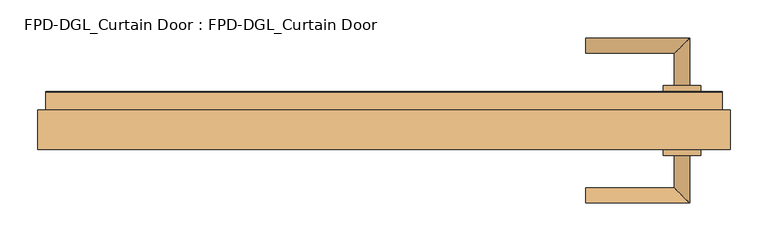
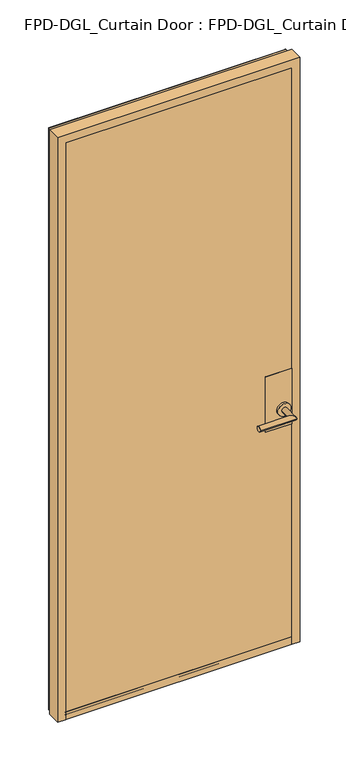
"""IFC4 building model written with IfcOpenShell, lengths in millimetres: door geometry, FPD-DGL_Curtain Door : FPD-DGL_Curtain Door."""

from ifc_helpers import new_model, si_unit, point, frame, frame_2d, origin, place, context, project, spatial, polyline, circle_curve, ellipse_curve, trimmed, segment, composite_curve, outline, extrude, source, transform, mapped, element, save
from ifc_brep_helpers import plane_surface, cylinder_surface, revolved_surface, advanced_brep


def fpd_dgl_curtain_door_fpd_dgl_curtain_door_bb8fd5a7(model_context):
    return source(origin(), model_context, "Body", "SolidModel", [
        advanced_brep(
        [(266.4282894, 89.1684274, 965.2), (266.4282894, 109.240371, 965.2), (383.2779298, 89.1684274, 965.2), (403.3498734, 109.240371, 965.2), (383.2779298, 46.5341787, 965.2), (403.3498734, 46.5341787, 965.2)],
        [
            (0, 1, circle_curve(frame((266.4282894, 99.2043992, 965.2), z_axis=(-1.0, 0.0, 0.0), x_axis=(0.0, 1.0, 0.0)), 10.0359718)),
            (1, 0, circle_curve(frame((266.4282894, 99.2043992, 965.2), z_axis=(-1.0, 0.0, 0.0), x_axis=(0.0, 1.0, 0.0)), 10.0359718)),
            (0, 2),
            (2, 3, ellipse_curve(frame((393.3139016, 99.2043992, 965.2), z_axis=(-0.7071067811865464, 0.7071067811865488, 0.0), x_axis=(-0.7071067811865487, -0.7071067811865464, 0.0)), 14.1930074, 10.0359718)),
            (3, 1),
            (3, 2, ellipse_curve(frame((393.3139016, 99.2043992, 965.2), z_axis=(-0.7071067811865464, 0.7071067811865488, 0.0), x_axis=(-0.7071067811865487, -0.7071067811865464, 0.0)), 14.1930074, 10.0359718)),
            (4, 5, circle_curve(frame((393.3139016, 46.5341787, 965.2), z_axis=(0.0, -1.0, 0.0), x_axis=(1.0, 0.0, 0.0)), 10.0359718)),
            (5, 4, circle_curve(frame((393.3139016, 46.5341787, 965.2), z_axis=(0.0, -1.0, 0.0), x_axis=(1.0, 0.0, 0.0)), 10.0359718)),
            (2, 4),
            (5, 3),
        ],
        [
            plane_surface(frame((266.4282894, 99.2043992, 965.2), z_axis=(-1.0, 0.0, 0.0), x_axis=(0.0, 0.0, 1.0))),
            cylinder_surface(frame((266.4282894, 99.2043992, 965.2), z_axis=(-1.0, 0.0, 0.0), x_axis=(0.0, 1.0, 0.0)), 10.0359718),
            plane_surface(frame((393.3139016, 46.5341787, 965.2), z_axis=(0.0, -1.0, 0.0), x_axis=(0.0, 0.0, 1.0))),
            cylinder_surface(frame((393.3139016, 99.2043992, 965.2), z_axis=(0.0, 1.0, 0.0), x_axis=(1.0, 0.0, 0.0)), 10.0359718),
        ],
        [
            (0, [[1, 2]]),
            (1, [[-1, 3, 4, 5]]),
            (1, [[-2, -5, 6, -3]]),
            (2, [[7, 8]]),
            (3, [[-4, 9, -8, 10]]),
            (3, [[-6, -10, -7, -9]]),
        ],
    ),
        advanced_brep(
        [(383.2779298, -46.3299066, 965.2), (403.3498734, -46.3299066, 965.2), (383.2779298, -88.9641553, 965.2), (403.3498734, -109.0360989, 965.2), (266.4282894, -88.9641553, 965.2), (266.4282894, -109.0360989, 965.2)],
        [
            (0, 1, circle_curve(frame((393.3139016, -46.3299066, 965.2), z_axis=(0.0, 1.0, 0.0), x_axis=(1.0, 0.0, 0.0)), 10.0359718)),
            (1, 0, circle_curve(frame((393.3139016, -46.3299066, 965.2), z_axis=(0.0, 1.0, 0.0), x_axis=(1.0, 0.0, 0.0)), 10.0359718)),
            (0, 2),
            (2, 3, ellipse_curve(frame((393.3139016, -99.0001271, 965.2), z_axis=(0.7071067811865487, 0.7071067811865464, 0.0), x_axis=(-0.7071067811865464, 0.7071067811865487, 0.0)), 14.1930074, 10.0359718)),
            (3, 1),
            (3, 2, ellipse_curve(frame((393.3139016, -99.0001271, 965.2), z_axis=(0.7071067811865487, 0.7071067811865464, 0.0), x_axis=(-0.7071067811865464, 0.7071067811865487, 0.0)), 14.1930074, 10.0359718)),
            (4, 5, circle_curve(frame((266.4282894, -99.0001271, 965.2), z_axis=(-1.0, 0.0, 0.0), x_axis=(0.0, -1.0, 0.0)), 10.0359718)),
            (5, 4, circle_curve(frame((266.4282894, -99.0001271, 965.2), z_axis=(-1.0, 0.0, 0.0), x_axis=(0.0, -1.0, 0.0)), 10.0359718)),
            (2, 4),
            (5, 3),
        ],
        [
            plane_surface(frame((393.3139016, -46.3299066, 965.2), z_axis=(0.0, 1.0, 0.0), x_axis=(0.0, 0.0, 1.0))),
            cylinder_surface(frame((393.3139016, -46.3299066, 965.2), z_axis=(0.0, 1.0, 0.0), x_axis=(1.0, 0.0, 0.0)), 10.0359718),
            plane_surface(frame((266.4282894, -99.0001271, 965.2), z_axis=(-1.0, 0.0, 0.0), x_axis=(0.0, 0.0, 1.0))),
            cylinder_surface(frame((393.3139016, -99.0001271, 965.2), z_axis=(1.0, 0.0, 0.0), x_axis=(0.0, -1.0, 0.0)), 10.0359718),
        ],
        [
            (0, [[1, 2]]),
            (1, [[-1, 3, 4, 5]]),
            (1, [[-2, -5, 6, -3]]),
            (2, [[7, 8]]),
            (3, [[-4, 9, -8, 10]]),
            (3, [[-6, -10, -7, -9]]),
        ],
    ),
        extrude(outline(composite_curve([segment(trimmed(circle_curve(frame_2d((965.2, 393.3139016)), 24.60625), [point((965.2, 368.7076516))], [point((965.2, 417.9201516))], False, "CARTESIAN"), True, "CONTINUOUS"), segment(trimmed(circle_curve(frame_2d((965.2, 393.3139016)), 24.60625), [point((965.2, 417.9201516))], [point((965.2, 368.7076516))], False, "CARTESIAN"), True, "CONTINUOUS")], self_intersect=False)), frame((0.0, -46.3299066, 0.0), z_axis=(0.0, 1.0, 0.0), x_axis=(0.0, 0.0, 1.0)), (0.0, 0.0, 1.0), 8.3298107),
        extrude(outline(composite_curve([segment(trimmed(circle_curve(frame_2d((965.2, 393.3139016)), 24.60625), [point((965.2, 368.7076516))], [point((965.2, 417.9201516))], False, "CARTESIAN"), True, "CONTINUOUS"), segment(trimmed(circle_curve(frame_2d((965.2, 393.3139016)), 24.60625), [point((965.2, 417.9201516))], [point((965.2, 368.7076516))], False, "CARTESIAN"), True, "CONTINUOUS")], self_intersect=False)), frame((0.0, 38.1999024, 0.0), z_axis=(0.0, 1.0, 0.0), x_axis=(0.0, 0.0, 1.0)), (0.0, 0.0, 1.0), 8.3342763),
        extrude(outline(polyline([(426.8139616, -38.0000959), (326.813849, -38.0000959), (326.813849, -36.6000989), (426.8139616, -36.6000989), (426.8139616, -38.0000959)])), frame((0.0, 0.0, 893.55), z_axis=(0.0, 0.0, 1.0), x_axis=(1.0, 0.0, 0.0)), (0.0, 0.0, 1.0), 220.0),
        extrude(outline(polyline([(426.8139616, 36.7999054), (326.813849, 36.7999054), (326.813849, 38.1999024), (426.8139616, 38.1999024), (426.8139616, 36.7999054)])), frame((0.0, 0.0, 893.55), z_axis=(0.0, 0.0, 1.0), x_axis=(1.0, 0.0, 0.0)), (0.0, 0.0, 1.0), 220.0),
        extrude(outline(polyline([(-437.4101327, 28.1030481), (-437.4101327, 36.7999054), (437.4101327, 36.7999054), (437.4101327, 28.1030481), (-437.4101327, 28.1030481)])), frame((0.0, 0.0, 35.2749614), z_axis=(0.0, 0.0, 1.0), x_axis=(1.0, 0.0, 0.0)), (0.0, 0.0, 1.0), 2284.7942742),
        extrude(outline(polyline([(437.4101327, -28.0762398), (437.4101327, -36.7730971), (-437.4101327, -36.7730971), (-437.4101327, -28.0762398), (437.4101327, -28.0762398)])), frame((0.0, 0.0, 35.2749614), z_axis=(0.0, 0.0, 1.0), x_axis=(1.0, 0.0, 0.0)), (0.0, 0.0, 1.0), 2284.7942742),
        advanced_brep(
        [(456.803125, -38.0731917, 15.875), (426.8139616, -38.0731917, 15.875), (426.8139616, -36.773661, 15.875), (437.4101328, -36.773661, 15.875), (437.4101328, -28.076804, 15.875), (426.8139616, -28.076804, 15.875), (426.8139616, 28.1030481, 15.875), (437.4101327, 28.1030481, 15.875), (437.4101327, 36.7999054, 15.875), (426.8139616, 36.7999054, 15.875), (426.8139616, 38.0994357, 15.875), (445.6887517, 38.0994357, 15.875), (446.4884627, 37.2997247, 15.875), (446.4884627, 13.9501736, 15.875), (456.803125, 13.9501736, 15.875), (456.803125, -38.0731917, 2339.4622278), (-456.803125, -38.0731917, 2339.4622278), (-456.803125, -38.0731917, 15.875), (-426.8139616, -38.0731917, 15.875), (-426.8139616, -38.0731917, 2309.4730644), (426.8139616, -38.0731917, 2309.4730644), (426.8139616, -36.773661, 2309.4730644), (-426.8139616, -36.773661, 2309.4730644), (-426.8139616, -36.773661, 15.875), (-437.4101328, -36.773661, 15.875), (-437.4101328, -36.773661, 2320.0692356), (437.4101328, -36.773661, 2320.0692356), (437.4101328, -28.076804, 2320.0692356), (-437.4101328, -28.076804, 2320.0692356), (-437.4101328, -28.076804, 15.875), (-426.8139616, -28.076804, 15.875), (-426.8139616, -28.076804, 2309.4730644), (426.8139616, -28.076804, 2309.4730644), (426.8139616, 28.1030481, 2309.4730644), (-426.8139616, 28.1030481, 2309.4730644), (-426.8139616, 28.1030481, 15.875), (-437.4101327, 28.1030481, 15.875), (-437.4101327, 28.1030481, 2320.0692355), (437.4101327, 28.1030481, 2320.0692355), (437.4101327, 36.7999054, 2320.0692355), (-437.4101327, 36.7999054, 2320.0692355), (-437.4101327, 36.7999054, 15.875), (-426.8139616, 36.7999054, 15.875), (-426.8139616, 36.7999054, 2309.4730644), (426.8139616, 36.7999054, 2309.4730644), (426.8139616, 38.0994357, 2309.4730644), (-426.8139616, 38.0994357, 2309.4730644), (-426.8139616, 38.0994357, 15.875), (-445.6887517, 38.0994357, 15.875), (-445.6887517, 38.0994357, 2328.3478545), (445.6887517, 38.0994357, 2328.3478545), (446.4884627, 37.2997247, 2329.1475655), (446.4884627, 13.9501736, 2329.1475655), (-446.4884627, 13.9501736, 2329.1475655), (-446.4884627, 13.9501736, 15.875), (-456.803125, 13.9501736, 15.875), (-456.803125, 13.9501736, 2339.4622278), (456.803125, 13.9501736, 2339.4622278), (-446.4884627, 37.2997247, 15.875), (-446.4884627, 37.2997247, 2329.1475655)],
        [
            (0, 1),
            (1, 2),
            (2, 3),
            (3, 4),
            (4, 5),
            (5, 6),
            (6, 7),
            (7, 8),
            (8, 9),
            (9, 10),
            (10, 11),
            (11, 12, circle_curve(frame((445.6887517, 37.2997247, 15.875), z_axis=(0.0, 0.0, -1.0), x_axis=(0.0, -1.0, 0.0)), 0.799711)),
            (12, 13),
            (13, 14),
            (14, 0),
            (0, 15),
            (15, 16),
            (16, 17),
            (17, 18),
            (18, 19),
            (19, 20),
            (20, 1),
            (20, 21),
            (21, 2),
            (21, 22),
            (22, 23),
            (23, 24),
            (24, 25),
            (25, 26),
            (26, 3),
            (26, 27),
            (27, 4),
            (27, 28),
            (28, 29),
            (29, 30),
            (30, 31),
            (31, 32),
            (32, 5),
            (32, 33),
            (33, 6),
            (33, 34),
            (34, 35),
            (35, 36),
            (36, 37),
            (37, 38),
            (38, 7),
            (38, 39),
            (39, 8),
            (39, 40),
            (40, 41),
            (41, 42),
            (42, 43),
            (43, 44),
            (44, 9),
            (44, 45),
            (45, 10),
            (45, 46),
            (46, 47),
            (47, 48),
            (48, 49),
            (49, 50),
            (50, 11),
            (50, 51, ellipse_curve(frame((445.6887517, 37.2997247, 2328.3478545), z_axis=(0.7071067811865475, 0.0, -0.7071067811865475), x_axis=(-0.7071067811865474, 0.0, -0.7071067811865476)), 1.1309622, 0.799711)),
            (51, 12),
            (51, 52),
            (52, 13),
            (52, 53),
            (53, 54),
            (54, 55),
            (55, 56),
            (56, 57),
            (57, 14),
            (57, 15),
            (16, 56),
            (55, 17),
            (54, 58),
            (58, 48, circle_curve(frame((-445.6887517, 37.2997247, 15.875), z_axis=(0.0, 0.0, -1.0), x_axis=(0.0, -1.0, 0.0)), 0.799711)),
            (47, 42),
            (41, 36),
            (35, 30),
            (29, 24),
            (23, 18),
            (22, 19),
            (28, 25),
            (34, 31),
            (40, 37),
            (46, 43),
            (59, 49, ellipse_curve(frame((-445.6887517, 37.2997247, 2328.3478545), z_axis=(-0.7071067811865475, 0.0, -0.7071067811865475), x_axis=(-0.7071067811865474, 0.0, 0.7071067811865476)), 1.1309622, 0.799711)),
            (58, 59),
            (53, 59),
            (59, 51),
        ],
        [
            plane_surface(frame((456.803125, 0.0134041, 15.875), z_axis=(0.0, 0.0, -1.0), x_axis=(0.0, -1.0, 0.0))),
            plane_surface(frame((456.803125, -38.0731917, 15.875), z_axis=(0.0, -1.0, 0.0), x_axis=(0.0, 0.0, 1.0))),
            plane_surface(frame((426.8139616, -38.0731917, 15.875), z_axis=(-1.0, 0.0, 0.0), x_axis=(0.0, 0.0, 1.0))),
            plane_surface(frame((426.8139616, -36.773661, 15.875), z_axis=(0.0, 1.0, 0.0), x_axis=(0.0, 0.0, 1.0))),
            plane_surface(frame((437.4101328, -36.773661, 15.875), z_axis=(-1.0, 0.0, 0.0), x_axis=(0.0, 0.0, 1.0))),
            plane_surface(frame((437.4101328, -28.076804, 15.875), z_axis=(0.0, -1.0, 0.0), x_axis=(0.0, 0.0, 1.0))),
            plane_surface(frame((426.8139616, -28.076804, 15.875), z_axis=(-1.0, 0.0, 0.0), x_axis=(0.0, 0.0, 1.0))),
            plane_surface(frame((426.8139616, 28.1030481, 15.875), z_axis=(0.0, 1.0, 0.0), x_axis=(0.0, 0.0, 1.0))),
            plane_surface(frame((437.4101327, 28.1030481, 15.875), z_axis=(-1.0, 0.0, 0.0), x_axis=(0.0, 0.0, 1.0))),
            plane_surface(frame((437.4101327, 36.7999054, 15.875), z_axis=(0.0, -1.0, 0.0), x_axis=(0.0, 0.0, 1.0))),
            plane_surface(frame((426.8139616, 36.7999054, 15.875), z_axis=(-1.0, 0.0, 0.0), x_axis=(0.0, 0.0, 1.0))),
            plane_surface(frame((426.8139616, 38.0994357, 15.875), z_axis=(0.0, 1.0, 0.0), x_axis=(0.0, 0.0, 1.0))),
            cylinder_surface(frame((445.6887517, 37.2997247, 15.875), z_axis=(0.0, 0.0, -1.0), x_axis=(0.0, -1.0, 0.0)), 0.799711),
            plane_surface(frame((446.4884627, 37.2997247, 15.875), z_axis=(1.0, 0.0, 0.0), x_axis=(0.0, 0.0, 1.0))),
            plane_surface(frame((446.4884627, 13.9501736, 15.875), z_axis=(0.0, 1.0, 0.0), x_axis=(0.0, 0.0, 1.0))),
            plane_surface(frame((456.803125, 13.9501736, 15.875), z_axis=(1.0, 0.0, 0.0), x_axis=(0.0, 0.0, 1.0))),
            plane_surface(frame((-456.803125, 13.9501736, 2339.4622278), z_axis=(-1.0, 0.0, 0.0), x_axis=(0.0, 0.0, -1.0))),
            plane_surface(frame((-456.803125, 0.0134041, 15.875), z_axis=(0.0, 0.0, -1.0), x_axis=(0.0, -1.0, 0.0))),
            plane_surface(frame((-426.8139616, -38.0731917, 2309.4730644), z_axis=(1.0, 0.0, 0.0), x_axis=(0.0, 0.0, -1.0))),
            plane_surface(frame((-437.4101328, -36.773661, 2320.0692356), z_axis=(1.0, 0.0, 0.0), x_axis=(0.0, 0.0, -1.0))),
            plane_surface(frame((-426.8139616, -28.076804, 2309.4730644), z_axis=(1.0, 0.0, 0.0), x_axis=(0.0, 0.0, -1.0))),
            plane_surface(frame((-437.4101327, 28.1030481, 2320.0692355), z_axis=(1.0, 0.0, 0.0), x_axis=(0.0, 0.0, -1.0))),
            plane_surface(frame((-426.8139616, 36.7999054, 2309.4730644), z_axis=(1.0, 0.0, 0.0), x_axis=(0.0, 0.0, -1.0))),
            cylinder_surface(frame((-445.6887517, 37.2997247, 2339.4622278), z_axis=(0.0, 0.0, 1.0), x_axis=(0.0, -1.0, 0.0)), 0.799711),
            plane_surface(frame((-446.4884627, 37.2997247, 2329.1475655), z_axis=(-1.0, 0.0, 0.0), x_axis=(0.0, 0.0, -1.0))),
            plane_surface(frame((426.8139616, -38.0731917, 2309.4730644), z_axis=(0.0, 0.0, -1.0), x_axis=(-1.0, 0.0, 0.0))),
            plane_surface(frame((437.4101328, -36.773661, 2320.0692356), z_axis=(0.0, 0.0, -1.0), x_axis=(-1.0, 0.0, 0.0))),
            plane_surface(frame((426.8139616, -28.076804, 2309.4730644), z_axis=(0.0, 0.0, -1.0), x_axis=(-1.0, 0.0, 0.0))),
            plane_surface(frame((437.4101327, 28.1030481, 2320.0692355), z_axis=(0.0, 0.0, -1.0), x_axis=(-1.0, 0.0, 0.0))),
            plane_surface(frame((426.8139616, 36.7999054, 2309.4730644), z_axis=(0.0, 0.0, -1.0), x_axis=(-1.0, 0.0, 0.0))),
            cylinder_surface(frame((456.803125, 37.2997247, 2328.3478545), z_axis=(1.0, 0.0, 0.0), x_axis=(0.0, -1.0, 0.0)), 0.799711),
            plane_surface(frame((446.4884627, 37.2997247, 2329.1475655), z_axis=(0.0, 0.0, 1.0), x_axis=(-1.0, 0.0, 0.0))),
            plane_surface(frame((456.803125, 13.9501736, 2339.4622278), z_axis=(0.0, 0.0, 1.0), x_axis=(-1.0, 0.0, 0.0))),
        ],
        [
            (0, [[1, 2, 3, 4, 5, 6, 7, 8, 9, 10, 11, 12, 13, 14, 15]]),
            (1, [[-1, 16, 17, 18, 19, 20, 21, 22]]),
            (2, [[-2, -22, 23, 24]]),
            (3, [[-3, -24, 25, 26, 27, 28, 29, 30]]),
            (4, [[-4, -30, 31, 32]]),
            (5, [[-5, -32, 33, 34, 35, 36, 37, 38]]),
            (6, [[-6, -38, 39, 40]]),
            (7, [[-7, -40, 41, 42, 43, 44, 45, 46]]),
            (8, [[-8, -46, 47, 48]]),
            (9, [[-9, -48, 49, 50, 51, 52, 53, 54]]),
            (10, [[-10, -54, 55, 56]]),
            (11, [[-11, -56, 57, 58, 59, 60, 61, 62]]),
            (12, [[-12, -62, 63, 64]]),
            (13, [[-13, -64, 65, 66]]),
            (14, [[-14, -66, 67, 68, 69, 70, 71, 72]]),
            (15, [[-15, -72, 73, -16]]),
            (16, [[74, -70, 75, -18]]),
            (17, [[-75, -69, 76, 77, -59, 78, -51, 79, -43, 80, -35, 81, -27, 82, -19]]),
            (18, [[83, -20, -82, -26]]),
            (19, [[84, -28, -81, -34]]),
            (20, [[85, -36, -80, -42]]),
            (21, [[86, -44, -79, -50]]),
            (22, [[87, -52, -78, -58]]),
            (23, [[88, -60, -77, 89]]),
            (24, [[90, -89, -76, -68]]),
            (25, [[-23, -21, -83, -25]]),
            (26, [[-31, -29, -84, -33]]),
            (27, [[-39, -37, -85, -41]]),
            (28, [[-47, -45, -86, -49]]),
            (29, [[-55, -53, -87, -57]]),
            (30, [[-63, -61, -88, 91]]),
            (31, [[-65, -91, -90, -67]]),
            (32, [[-73, -71, -74, -17]]),
        ],
    ),
        advanced_brep(
        [(426.8139616, 28.127892, 45.8749402), (426.8139616, -28.0721576, 45.8749402), (426.8139616, -28.0721576, 35.2749614), (426.8139616, -36.2721409, 35.2749614), (426.8139616, -36.7721399, 35.7749604), (426.8139616, -36.7721402, 43.0952793), (426.8139616, -36.6721405, 44.0749436), (426.8139616, -36.6721405, 45.8749402), (426.8139616, -38.0721375, 45.8749402), (426.8139616, -38.0721375, 15.875), (426.8139616, 37.3278641, 15.875), (426.8139616, 38.1278625, 16.6749984), (426.8139616, 38.1278625, 45.8749402), (426.8139616, 36.7278654, 45.8749402), (426.8139616, 36.7278654, 44.0749434), (426.8139616, 36.8278651, 43.0952791), (426.8139616, 36.8278651, 35.2749613), (426.8139616, 28.127892, 35.2749613), (-427.0913827, 28.127892, 45.8749402), (-427.0913827, 28.127892, 35.2749613), (-427.0913827, 36.8278651, 35.2749613), (-427.0913827, 36.8278651, 43.0952791), (-427.0913827, 36.7278654, 44.0749434), (-427.0913827, 36.7278654, 45.8749402), (-427.0913827, 38.1278625, 45.8749402), (-427.0913827, 38.1278625, 16.6749984), (-427.0913827, 37.3278641, 15.875), (-427.0913827, -38.0721375, 15.875), (-427.0913827, -38.0721375, 45.8749402), (-427.0913827, -36.6721405, 45.8749402), (-427.0913827, -36.6721405, 44.0749436), (-427.0913827, -36.7721402, 43.0952793), (-427.0913827, -36.7721402, 35.7749604), (-427.0913827, -36.2721409, 35.2749614), (-427.0913827, -28.0721576, 35.2749614), (-427.0913827, -28.0721576, 45.8749402)],
        [
            (0, 1),
            (1, 2),
            (2, 3),
            (3, 4, circle_curve(frame((426.8139616, -36.2721409, 35.7749604), z_axis=(-1.0, 0.0, 0.0), x_axis=(0.0, 0.0, -1.0)), 0.499999)),
            (4, 5),
            (5, 6),
            (6, 7),
            (7, 8),
            (8, 9),
            (9, 10),
            (10, 11, circle_curve(frame((426.8139616, 37.3278641, 16.6749984), z_axis=(1.0, 0.0, 0.0), x_axis=(0.0, 0.0, -1.0)), 0.7999984)),
            (11, 12),
            (12, 13),
            (13, 14),
            (14, 15),
            (15, 16),
            (16, 17),
            (17, 0),
            (18, 19),
            (19, 20),
            (20, 21),
            (21, 22),
            (22, 23),
            (23, 24),
            (24, 25),
            (25, 26, circle_curve(frame((-427.0913827, 37.3278641, 16.6749984), z_axis=(-1.0, 0.0, 0.0), x_axis=(0.0, 0.0, -1.0)), 0.7999984)),
            (26, 27),
            (27, 28),
            (28, 29),
            (29, 30),
            (30, 31),
            (31, 32),
            (32, 33, circle_curve(frame((-427.0913827, -36.2721409, 35.7749604), z_axis=(1.0, 0.0, 0.0), x_axis=(0.0, 0.0, -1.0)), 0.499999)),
            (33, 34),
            (34, 35),
            (35, 18),
            (0, 18),
            (35, 1),
            (34, 2),
            (33, 3),
            (32, 4),
            (31, 5),
            (30, 6),
            (29, 7),
            (28, 8),
            (27, 9),
            (26, 10),
            (25, 11),
            (24, 12),
            (23, 13),
            (22, 14),
            (21, 15),
            (20, 16),
            (19, 17),
        ],
        [
            plane_surface(frame((426.8139616, 0.0134041, 15.875), z_axis=(1.0, 0.0, 0.0), x_axis=(0.0, -1.0, 0.0))),
            plane_surface(frame((-427.0913827, 0.0134041, 15.875), z_axis=(-1.0, 0.0, 0.0), x_axis=(0.0, -1.0, 0.0))),
            plane_surface(frame((426.8139616, 28.127892, 45.8749402), z_axis=(0.0, 0.0, 1.0), x_axis=(-1.0, 0.0, 0.0))),
            plane_surface(frame((426.8139616, -28.0721576, 45.8749402), z_axis=(0.0, -1.0, 0.0), x_axis=(-1.0, 0.0, 0.0))),
            plane_surface(frame((426.8139616, -28.0721576, 35.2749614), z_axis=(0.0, 0.0, 1.0), x_axis=(-1.0, 0.0, 0.0))),
            revolved_surface(polyline([(-427.0913827, -36.2721409, 35.274961399999995), (426.8139616, -36.2721409, 35.274961399999995)]), (426.8139616, -36.2721409, 35.7749604), (-1.0, 0.0, 0.0)),
            plane_surface(frame((426.8139616, -36.7721402, 35.7749604), z_axis=(0.0, 1.0, 0.0), x_axis=(-1.0, 0.0, 0.0))),
            plane_surface(frame((426.8139616, -36.7721402, 43.0952793), z_axis=(0.0, 0.9948306566600448, -0.10154784374541988), x_axis=(-1.0, 0.0, 0.0))),
            plane_surface(frame((426.8139616, -36.6721405, 44.0749436), z_axis=(0.0, 1.0, 0.0), x_axis=(-1.0, 0.0, 0.0))),
            plane_surface(frame((426.8139616, -36.6721405, 45.8749402), z_axis=(0.0, 0.0, 1.0), x_axis=(-1.0, 0.0, 0.0))),
            plane_surface(frame((426.8139616, -38.0721375, 45.8749402), z_axis=(0.0, -1.0, 0.0), x_axis=(-1.0, 0.0, 0.0))),
            plane_surface(frame((426.8139616, -38.0721375, 15.875), z_axis=(0.0, 0.0, -1.0), x_axis=(-1.0, 0.0, 0.0))),
            cylinder_surface(frame((426.8139616, 37.3278641, 16.6749984), z_axis=(1.0, 0.0, 0.0), x_axis=(0.0, 0.0, -1.0)), 0.7999984),
            plane_surface(frame((426.8139616, 38.1278625, 16.6749984), z_axis=(0.0, 1.0, 0.0), x_axis=(-1.0, 0.0, 0.0))),
            plane_surface(frame((426.8139616, 38.1278625, 45.8749402), z_axis=(0.0, 0.0, 1.0), x_axis=(-1.0, 0.0, 0.0))),
            plane_surface(frame((426.8139616, 36.7278654, 45.8749402), z_axis=(0.0, -1.0, 0.0), x_axis=(-1.0, 0.0, 0.0))),
            plane_surface(frame((426.8139616, 36.7278654, 44.0749434), z_axis=(0.0, -0.9948306566625575, -0.10154784372080249), x_axis=(-1.0, 0.0, 0.0))),
            plane_surface(frame((426.8139616, 36.8278651, 43.0952791), z_axis=(0.0, -1.0, 0.0), x_axis=(-1.0, 0.0, 0.0))),
            plane_surface(frame((426.8139616, 36.8278651, 35.2749613), z_axis=(0.0, 0.0, 1.0), x_axis=(-1.0, 0.0, 0.0))),
            plane_surface(frame((426.8139616, 28.127892, 35.2749613), z_axis=(0.0, 1.0, 0.0), x_axis=(-1.0, 0.0, 0.0))),
        ],
        [
            (0, [[1, 2, 3, 4, 5, 6, 7, 8, 9, 10, 11, 12, 13, 14, 15, 16, 17, 18]]),
            (1, [[19, 20, 21, 22, 23, 24, 25, 26, 27, 28, 29, 30, 31, 32, 33, 34, 35, 36]]),
            (2, [[-1, 37, -36, 38]]),
            (3, [[-2, -38, -35, 39]]),
            (4, [[-3, -39, -34, 40]]),
            (5, [[-4, -40, -33, 41]]),
            (6, [[-5, -41, -32, 42]]),
            (7, [[-6, -42, -31, 43]]),
            (8, [[-7, -43, -30, 44]]),
            (9, [[-8, -44, -29, 45]]),
            (10, [[-9, -45, -28, 46]]),
            (11, [[-10, -46, -27, 47]]),
            (12, [[-11, -47, -26, 48]]),
            (13, [[-12, -48, -25, 49]]),
            (14, [[-13, -49, -24, 50]]),
            (15, [[-14, -50, -23, 51]]),
            (16, [[-15, -51, -22, 52]]),
            (17, [[-16, -52, -21, 53]]),
            (18, [[-17, -53, -20, 54]]),
            (19, [[-18, -54, -19, -37]]),
        ],
    ),
    ])


if __name__ == "__main__":
    model = new_model("IFC4")
    model_context = context("Model", 3, world=origin())
    ifc_project = project(units=[si_unit("LENGTHUNIT", "METRE", prefix="MILLI")], contexts=[model_context])
    site = spatial("IfcSite", under=ifc_project)
    building = spatial("IfcBuilding", under=site)
    placement = place(None, origin())
    fpd_dgl_curtain_door_fpd_dgl_curtain_door_shape = fpd_dgl_curtain_door_fpd_dgl_curtain_door_bb8fd5a7(model_context)
    element("IfcDoor", 1, ObjectType="FPD-DGL_Curtain Door : FPD-DGL_Curtain Door", at=placement, inside=building, context=model_context, shape_type="MappedRepresentation", body=[
        mapped(fpd_dgl_curtain_door_fpd_dgl_curtain_door_shape, transform((0.0, 0.0, 0.0), x_axis=(1.0, 0.0, 0.0), y_axis=(0.0, 1.0, 0.0), z_axis=(0.0, 0.0, 1.0))),
    ])
    save(model, "model.ifc")
